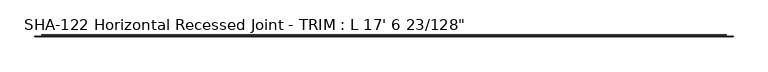
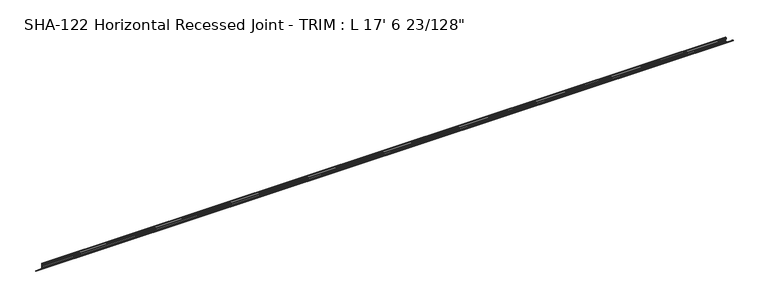
"""IFC4 building model written with IfcOpenShell, lengths in millimetres: proxy geometry."""

from ifc_helpers import new_model, si_unit, frame, origin, place, context, project, spatial, polyline, circle_curve, source, transform, mapped, element, save
from ifc_brep_helpers import plane_surface, cylinder_surface, revolved_surface, advanced_brep


def proxy_bb885a34(model_context):
    return source(origin(), model_context, "Body", "AdvancedBrep", [
        advanced_brep(
        [(5338.5640625, 0.0, -19.1207066), (5338.5640625, 1.5823405, -17.5459247), (5338.5640625, 4.7954405, -17.5459247), (5338.5640625, 4.7954405, -15.9711244), (5338.5640625, 1.5823405, -15.9711244), (5338.5640625, 0.0, -14.3963424), (0.0, 0.0, -19.1207066), (0.0, 0.0, -14.3963424), (0.0, 1.5823405, -15.9711244), (0.0, 4.7954405, -15.9711244), (0.0, 4.7954405, -17.5459247), (0.0, 1.5823405, -17.5459247), (50.8, 4.7954405, -17.5459247), (5287.7640625, 4.7954405, -17.5459247), (50.8, 4.7954405, -19.1207247), (5287.7640625, 4.7954405, -19.1207247), (50.8, 7.0360651, -19.1207247), (5287.7640625, 7.0360651, -19.1207247), (50.8, 8.9318758, -8.0491906), (5287.7640625, 8.9318758, -8.0491906), (50.8, 11.140714, -8.0491906), (5287.7640625, 11.140714, -8.0491906), (50.8, 11.140714, -23.8832244), (5287.7640625, 11.140714, -23.8832244), (50.8, 14.3182128, -23.8832244), (5287.7640625, 14.3182128, -23.8832244), (50.8, 14.3182128, 20.9651512), (5287.7640625, 14.3182128, 20.9651512), (50.8, 11.140714, 20.9651512), (5287.7640625, 11.140714, 20.9651512), (50.8, 11.140714, 9.9305256), (5287.7640625, 11.140714, 9.9305256), (50.8, 8.9255559, 9.9305256), (5287.7640625, 8.9255559, 9.9305256), (50.8, 7.1145821, 20.5066126), (5287.7640625, 7.1145821, 20.5066126), (50.8, 4.7932128, 20.4405288), (5287.7640625, 4.7932128, 20.4405288), (50.8, 4.7932128, 8.3557256), (5287.7640625, 4.7932128, 8.3557256), (50.8, 11.4734128, 8.3557256), (5287.7640625, 11.4734128, 8.3557256), (50.8, 12.7434128, 7.0857256), (5287.7640625, 12.7434128, 7.0857256), (50.8, 12.7434128, -5.7857244), (5287.7640625, 12.7434128, -5.7857244), (50.8, 4.7954405, -5.7857244), (5287.7640625, 4.7954405, -5.7857244), (50.8, 4.7954405, -15.9711244), (5287.7640625, 4.7954405, -15.9711244)],
        [
            (0, 1, circle_curve(frame((5338.5640625, 0.0075405, -17.5459247), z_axis=(1.0, 0.0, 0.0), x_axis=(0.0, -1.0, 0.0)), 1.5748)),
            (1, 2),
            (2, 3),
            (3, 4),
            (4, 5, circle_curve(frame((5338.5640625, 0.0075405, -15.9711244), z_axis=(1.0, 0.0, 0.0), x_axis=(0.0, -1.0, 0.0)), 1.5748)),
            (5, 0),
            (6, 7),
            (7, 8, circle_curve(frame((0.0, 0.0075405, -15.9711244), z_axis=(-1.0, 0.0, 0.0), x_axis=(0.0, -1.0, 0.0)), 1.5748)),
            (8, 9),
            (9, 10),
            (10, 11),
            (11, 6, circle_curve(frame((0.0, 0.0075405, -17.5459247), z_axis=(-1.0, 0.0, 0.0), x_axis=(0.0, -1.0, 0.0)), 1.5748)),
            (0, 6),
            (11, 1),
            (10, 12),
            (12, 13),
            (13, 2),
            (12, 14),
            (14, 15),
            (15, 13),
            (14, 16),
            (16, 17),
            (17, 15),
            (16, 18),
            (18, 19),
            (19, 17),
            (18, 20),
            (20, 21),
            (21, 19),
            (20, 22),
            (22, 23),
            (23, 21),
            (22, 24),
            (24, 25),
            (25, 23),
            (24, 26),
            (26, 27),
            (27, 25),
            (26, 28),
            (28, 29),
            (29, 27),
            (28, 30),
            (30, 31),
            (31, 29),
            (30, 32),
            (32, 33),
            (33, 31),
            (32, 34),
            (34, 35),
            (35, 33),
            (34, 36, circle_curve(frame((50.8, 5.9859085, 19.3490984), z_axis=(1.0, 0.0, 0.0), x_axis=(0.0, -1.0, 0.0)), 1.6167075)),
            (36, 37),
            (37, 35, circle_curve(frame((5287.7640625, 5.9859085, 19.3490984), z_axis=(-1.0, 0.0, 0.0), x_axis=(0.0, -1.0, 0.0)), 1.6167075)),
            (36, 38),
            (38, 39),
            (39, 37),
            (38, 40),
            (40, 41),
            (41, 39),
            (40, 42, circle_curve(frame((50.8, 11.4734128, 7.0857256), z_axis=(-1.0, 0.0, 0.0), x_axis=(0.0, -1.0, 0.0)), 1.27)),
            (42, 43),
            (43, 41, circle_curve(frame((5287.7640625, 11.4734128, 7.0857256), z_axis=(1.0, 0.0, 0.0), x_axis=(0.0, -1.0, 0.0)), 1.27)),
            (42, 44),
            (44, 45),
            (45, 43),
            (44, 46),
            (46, 47),
            (47, 45),
            (46, 48),
            (48, 49),
            (49, 47),
            (3, 49),
            (48, 9),
            (8, 4),
            (7, 5),
            (13, 49),
            (48, 12),
        ],
        [
            plane_surface(frame((5338.5640625, -1.5672595, -17.5459247), z_axis=(1.0, 0.0, 0.0), x_axis=(0.0, 0.0, -1.0))),
            plane_surface(frame((0.0, -1.5672595, -17.5459247), z_axis=(-1.0, 0.0, 0.0), x_axis=(0.0, 0.0, 1.0))),
            cylinder_surface(frame((0.0, 0.0075405, -17.5459247), z_axis=(1.0, 0.0, 0.0), x_axis=(0.0, -1.0, 0.0)), 1.5748),
            plane_surface(frame((5338.5640625, 1.5823405, -17.5459247), z_axis=(0.0, 0.0, -1.0), x_axis=(-1.0, 0.0, 0.0))),
            plane_surface(frame((5338.5640625, 4.7954405, -17.5459247), z_axis=(0.0, -1.0, 0.0), x_axis=(-1.0, 0.0, 0.0))),
            plane_surface(frame((5338.5640625, 4.7954405, -19.1207247), z_axis=(0.0, 0.0, -1.0), x_axis=(-1.0, 0.0, 0.0))),
            plane_surface(frame((5338.5640625, 7.0360651, -19.1207247), z_axis=(0.0, 0.9856543593992835, -0.1687764314031673), x_axis=(-1.0, 0.0, 0.0))),
            plane_surface(frame((5338.5640625, 8.9318758, -8.0491906), z_axis=(0.0, 0.0, -1.0), x_axis=(-1.0, 0.0, 0.0))),
            plane_surface(frame((5338.5640625, 11.140714, -8.0491906), z_axis=(0.0, -1.0, 0.0), x_axis=(-1.0, 0.0, 0.0))),
            plane_surface(frame((5338.5640625, 11.140714, -23.8832244), z_axis=(0.0, 0.0, -1.0), x_axis=(-1.0, 0.0, 0.0))),
            plane_surface(frame((5338.5640625, 14.3182128, -23.8832244), z_axis=(0.0, 1.0, 0.0), x_axis=(-1.0, 0.0, 0.0))),
            plane_surface(frame((5338.5640625, 14.3182128, 20.9651512), z_axis=(0.0, 0.0, 1.0), x_axis=(-1.0, 0.0, 0.0))),
            plane_surface(frame((5338.5640625, 11.140714, 20.9651512), z_axis=(0.0, -1.0, 0.0), x_axis=(-1.0, 0.0, 0.0))),
            plane_surface(frame((5338.5640625, 11.140714, 9.9305256), z_axis=(0.0, 0.0, 1.0), x_axis=(-1.0, 0.0, 0.0))),
            plane_surface(frame((5338.5640625, 8.9255559, 9.9305256), z_axis=(0.0, 0.9856543593994346, 0.1687764314022852), x_axis=(-1.0, 0.0, 0.0))),
            cylinder_surface(frame((0.0, 5.9859085, 19.3490984), z_axis=(1.0, 0.0, 0.0), x_axis=(0.0, -1.0, 0.0)), 1.6167075),
            plane_surface(frame((5338.5640625, 4.7932128, 20.4405288), z_axis=(0.0, -1.0, 0.0), x_axis=(-1.0, 0.0, 0.0))),
            plane_surface(frame((5338.5640625, 4.7932128, 8.3557256), z_axis=(0.0, 0.0, -1.0), x_axis=(-1.0, 0.0, 0.0))),
            revolved_surface(polyline([(50.8, 10.2034128, 7.0857256), (5287.7640625, 10.2034128, 7.0857256)]), (0.0, 11.4734128, 7.0857256), (-1.0, 0.0, 0.0)),
            plane_surface(frame((5338.5640625, 12.7434128, 7.0857256), z_axis=(0.0, -1.0, 0.0), x_axis=(-1.0, 0.0, 0.0))),
            plane_surface(frame((5338.5640625, 12.7434128, -5.7857244), z_axis=(0.0, 0.0, 1.0), x_axis=(-1.0, 0.0, 0.0))),
            plane_surface(frame((5338.5640625, 4.7954405, -5.7857244), z_axis=(0.0, -1.0, -2.2724964055172864e-12), x_axis=(-1.0, 0.0, 0.0))),
            plane_surface(frame((5338.5640625, 4.7954405, -15.9711244), z_axis=(0.0, 0.0, 1.0), x_axis=(-1.0, 0.0, 0.0))),
            cylinder_surface(frame((0.0, 0.0075405, -15.9711244), z_axis=(1.0, 0.0, 0.0), x_axis=(0.0, -1.0, 0.0)), 1.5748),
            plane_surface(frame((5338.5640625, 0.0, -14.3963424), z_axis=(0.0, -1.0, 0.0), x_axis=(-1.0, 0.0, 0.0))),
            plane_surface(frame((5287.7640625, 4.7954405, 21.1970814), z_axis=(0.0, 1.0, 0.0), x_axis=(0.0, 0.0, -1.0))),
            plane_surface(frame((5287.7640625, 4.7954405, 21.1970814), z_axis=(1.0, 0.0, 0.0), x_axis=(0.0, 1.0, 0.0))),
            plane_surface(frame((50.8, 4.7954405, -23.8832244), z_axis=(-1.0, 0.0, 0.0), x_axis=(0.0, 1.0, 0.0))),
        ],
        [
            (0, [[1, 2, 3, 4, 5, 6]]),
            (1, [[7, 8, 9, 10, 11, 12]]),
            (2, [[-1, 13, -12, 14]]),
            (3, [[-2, -14, -11, 15, 16, 17]]),
            (4, [[-16, 18, 19, 20]]),
            (5, [[-19, 21, 22, 23]]),
            (6, [[-22, 24, 25, 26]]),
            (7, [[-25, 27, 28, 29]]),
            (8, [[-28, 30, 31, 32]]),
            (9, [[-31, 33, 34, 35]]),
            (10, [[-34, 36, 37, 38]]),
            (11, [[-37, 39, 40, 41]]),
            (12, [[-40, 42, 43, 44]]),
            (13, [[-43, 45, 46, 47]]),
            (14, [[-46, 48, 49, 50]]),
            (15, [[-49, 51, 52, 53]]),
            (16, [[-52, 54, 55, 56]]),
            (17, [[-55, 57, 58, 59]]),
            (18, [[-58, 60, 61, 62]]),
            (19, [[-61, 63, 64, 65]]),
            (20, [[-64, 66, 67, 68]]),
            (21, [[-67, 69, 70, 71]]),
            (22, [[-4, 72, -70, 73, -9, 74]]),
            (23, [[-5, -74, -8, 75]]),
            (24, [[-6, -75, -7, -13]]),
            (25, [[76, -72, -3, -17]]),
            (25, [[77, -15, -10, -73]]),
            (26, [[-76, -20, -23, -26, -29, -32, -35, -38, -41, -44, -47, -50, -53, -56, -59, -62, -65, -68, -71]]),
            (27, [[-77, -69, -66, -63, -60, -57, -54, -51, -48, -45, -42, -39, -36, -33, -30, -27, -24, -21, -18]]),
        ],
    ),
    ])


if __name__ == "__main__":
    model = new_model("IFC4")
    model_context = context("Model", 3, world=origin())
    ifc_project = project(units=[si_unit("LENGTHUNIT", "METRE", prefix="MILLI")], contexts=[model_context])
    site = spatial("IfcSite", under=ifc_project)
    building = spatial("IfcBuilding", under=site)
    placement = place(None, origin())
    proxy_shape = proxy_bb885a34(model_context)
    element("IfcBuildingElementProxy", 1, Name="SHA-122 Horizontal Recessed Joint - TRIM : L 17' 6 23/128\"", ObjectType="SHA-122 Horizontal Recessed Joint - TRIM : L 17' 6 23/128\"", at=placement, inside=building, context=model_context, shape_type="MappedRepresentation", body=[
        mapped(proxy_shape, transform((0.0, 0.0, 0.0), x_axis=(1.0, 0.0, 0.0), y_axis=(0.0, 1.0, 0.0), z_axis=(0.0, 0.0, 1.0))),
    ])
    save(model, "model.ifc")
